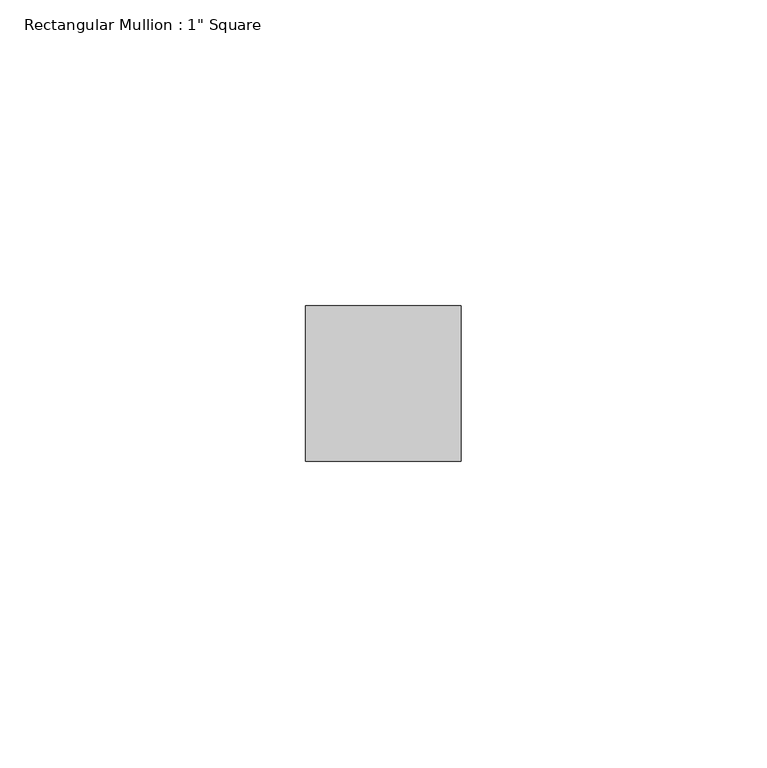
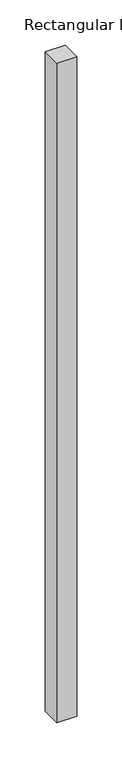
"""IFC4 building model written with IfcOpenShell, lengths in millimetres: member geometry."""

from ifc_helpers import new_model, si_unit, frame, origin, place, context, project, spatial, polyline, outline, extrude, source, transform, mapped, element, save


def member_21e35d61(model_context):
    return source(origin(), model_context, "Body", "SweptSolid", [
        extrude(outline(polyline([(12.7, 12.7), (12.7, -12.7), (-12.7, -12.7), (-12.7, 12.7), (12.7, 12.7)])), frame((0.0, 0.0, -889.0), z_axis=(0.0, 0.0, 1.0), x_axis=(1.0, 0.0, 0.0)), (0.0, 0.0, 1.0), 889.0),
    ])


if __name__ == "__main__":
    model = new_model("IFC4")
    model_context = context("Model", 3, world=origin())
    ifc_project = project(units=[si_unit("LENGTHUNIT", "METRE", prefix="MILLI")], contexts=[model_context])
    site = spatial("IfcSite", under=ifc_project)
    building = spatial("IfcBuilding", under=site)
    placement = place(None, origin())
    member_shape = member_21e35d61(model_context)
    element("IfcMember", 1, ObjectType="Rectangular Mullion : 1\" Square", at=placement, inside=building, context=model_context, shape_type="MappedRepresentation", body=[
        mapped(member_shape, transform((0.0, 0.0, 0.0), x_axis=(1.0, 0.0, 0.0), y_axis=(0.0, 1.0, 0.0), z_axis=(0.0, 0.0, 1.0))),
    ])
    save(model, "model.ifc")
